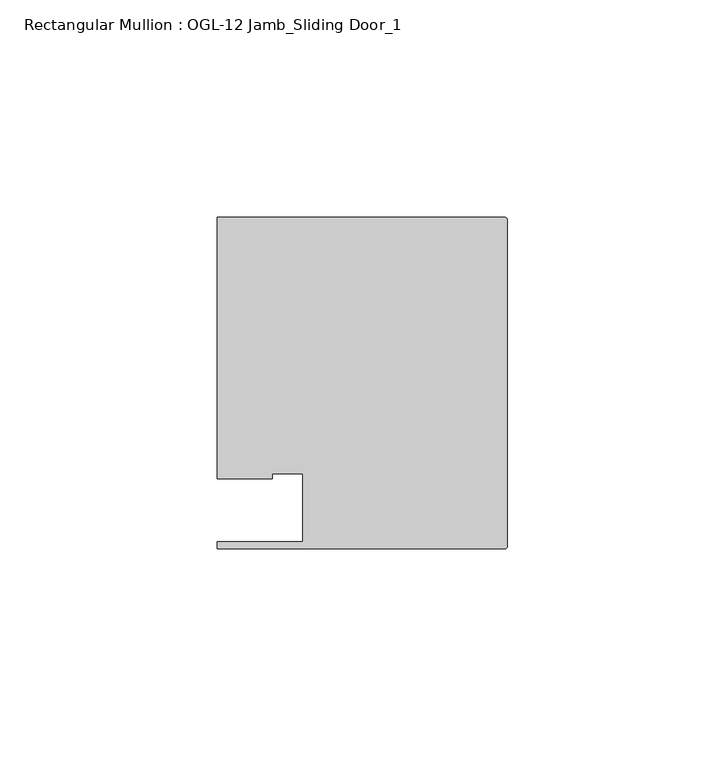
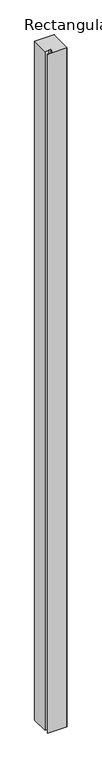
"""IFC4 building model written with IfcOpenShell, lengths in millimetres: member geometry, Rectangular Mullion : OGL-12 Jamb_Sliding Door_1."""

from ifc_helpers import new_model, si_unit, point, frame, frame_2d, origin, place, context, project, spatial, polyline, circle_curve, trimmed, segment, composite_curve, outline, extrude, source, transform, mapped, element, save


def rectangular_mullion_ogl_12_jamb_sliding_door_1_dc738dc5(model_context):
    return source(origin(), model_context, "Body", "SweptSolid", [
        extrude(outline(composite_curve([segment(polyline([(-47.0121851, -36.512516), (-47.0121851, -20.8257348), (-54.0386602, -20.8257348), (-54.0386602, -21.9710976), (-66.6740655, -21.9710976), (-66.6740655, 38.0996792), (-0.5953125, 38.0996792)]), True, "CONTINUOUS"), segment(trimmed(circle_curve(frame_2d((-0.5953125, 37.5043667)), 0.5953125), [point((-0.5953125, 38.0996792))], [point((0.0, 37.5043667))], False, "CARTESIAN"), True, "CONTINUOUS"), segment(polyline([(0.0, 37.5043667), (0.0, -37.5047035)]), True, "CONTINUOUS"), segment(trimmed(circle_curve(frame_2d((-0.5953125, -37.5047035)), 0.5953125), [point((0.0, -37.5047035))], [point((-0.5953125, -38.100016))], False, "CARTESIAN"), True, "CONTINUOUS"), segment(polyline([(-0.5953125, -38.100016), (-66.6649711, -38.100016), (-66.6649711, -36.512516), (-47.0121851, -36.512516)]), True, "CONTINUOUS")], self_intersect=False)), frame((0.0, 0.0, -2438.4), z_axis=(0.0, 0.0, 1.0), x_axis=(1.0, 0.0, 0.0)), (0.0, 0.0, 1.0), 2438.4),
    ])


if __name__ == "__main__":
    model = new_model("IFC4")
    model_context = context("Model", 3, world=origin())
    ifc_project = project(units=[si_unit("LENGTHUNIT", "METRE", prefix="MILLI")], contexts=[model_context])
    site = spatial("IfcSite", under=ifc_project)
    building = spatial("IfcBuilding", under=site)
    placement = place(None, origin())
    rectangular_mullion_ogl_12_jamb_sliding_door_1_shape = rectangular_mullion_ogl_12_jamb_sliding_door_1_dc738dc5(model_context)
    element("IfcMember", 1, ObjectType="Rectangular Mullion : OGL-12 Jamb_Sliding Door_1", at=placement, inside=building, context=model_context, shape_type="MappedRepresentation", body=[
        mapped(rectangular_mullion_ogl_12_jamb_sliding_door_1_shape, transform((0.0, 0.0, 0.0), x_axis=(1.0, 0.0, 0.0), y_axis=(0.0, 1.0, 0.0), z_axis=(0.0, 0.0, 1.0))),
    ])
    save(model, "model.ifc")
